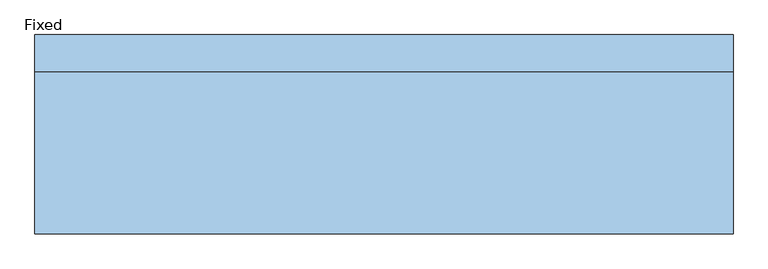
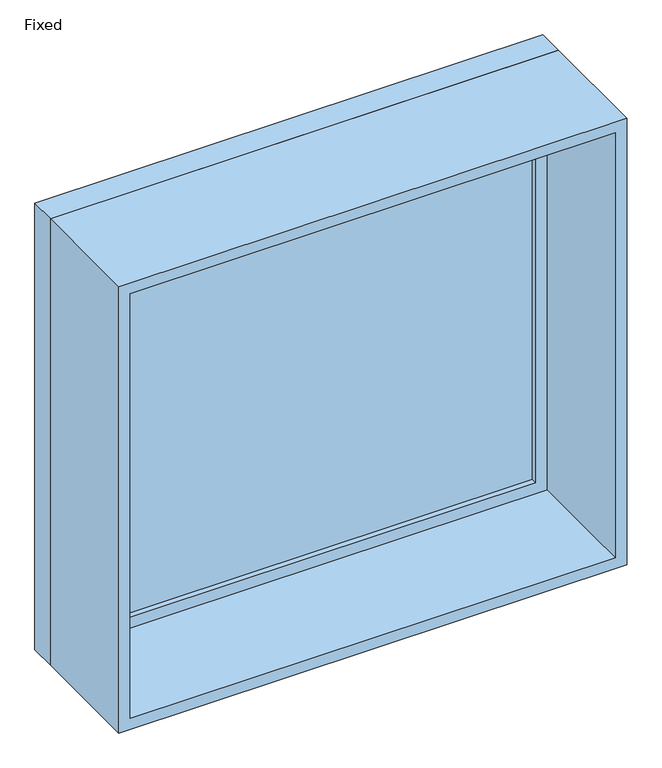
"""IFC4 building model written with IfcOpenShell, lengths in millimetres: window geometry, Fixed."""

from ifc_helpers import new_model, si_unit, frame, origin, place, context, project, spatial, polyline, outline, extrude, source, transform, mapped, element, save


def fixed_94aa4e57(model_context):
    return source(origin(), model_context, "Body", "SweptSolid", [
        extrude(outline(polyline([(598.4, 141.425), (-674.6, 141.425), (-674.6, 154.125), (598.4, 154.125), (598.4, 141.425)])), frame((0.0, 0.0, 463.5), z_axis=(0.0, 0.0, 1.0), x_axis=(1.0, 0.0, 0.0)), (0.0, 0.0, 1.0), 1173.0),
        extrude(outline(polyline([(1680.95, -719.05), (419.05, -719.05), (419.05, 642.85), (1680.95, 642.85), (1680.95, -719.05)]), holes=[polyline([(1636.5, -674.6), (1636.5, 598.4), (463.5, 598.4), (463.5, -674.6), (1636.5, -674.6)])]), frame((0.0, 125.55, 0.0), z_axis=(0.0, 1.0, 0.0), x_axis=(0.0, 0.0, 1.0)), (0.0, 0.0, 1.0), 44.45),
        extrude(outline(polyline([(1700.0, -738.1), (400.0, -738.1), (400.0, 661.9), (1700.0, 661.9), (1700.0, -738.1)]), holes=[polyline([(1668.25, -706.35), (1668.25, 630.15), (431.75, 630.15), (431.75, -706.35), (1668.25, -706.35)])]), frame((0.0, -200.0, 0.0), z_axis=(0.0, 1.0, 0.0), x_axis=(0.0, 0.0, 1.0)), (0.0, 0.0, 1.0), 325.55),
        extrude(outline(polyline([(1700.0, 661.9), (1700.0, -738.1), (400.0, -738.1), (400.0, 661.9), (1700.0, 661.9)]), holes=[polyline([(1680.95, 642.85), (419.05, 642.85), (419.05, -719.05), (1680.95, -719.05), (1680.95, 642.85)])]), frame((0.0, 125.55, 0.0), z_axis=(0.0, 1.0, 0.0), x_axis=(0.0, 0.0, 1.0)), (0.0, 0.0, 1.0), 74.45),
    ])


if __name__ == "__main__":
    model = new_model("IFC4")
    model_context = context("Model", 3, world=origin())
    ifc_project = project(units=[si_unit("LENGTHUNIT", "METRE", prefix="MILLI")], contexts=[model_context])
    site = spatial("IfcSite", under=ifc_project)
    building = spatial("IfcBuilding", under=site)
    placement = place(None, origin())
    fixed_shape = fixed_94aa4e57(model_context)
    element("IfcWindow", 1, ObjectType="Fixed", at=placement, inside=building, context=model_context, shape_type="MappedRepresentation", body=[
        mapped(fixed_shape, transform((0.0, 0.0, 0.0), x_axis=(1.0, 0.0, 0.0), y_axis=(0.0, 1.0, 0.0), z_axis=(0.0, 0.0, 1.0))),
    ])
    save(model, "model.ifc")
